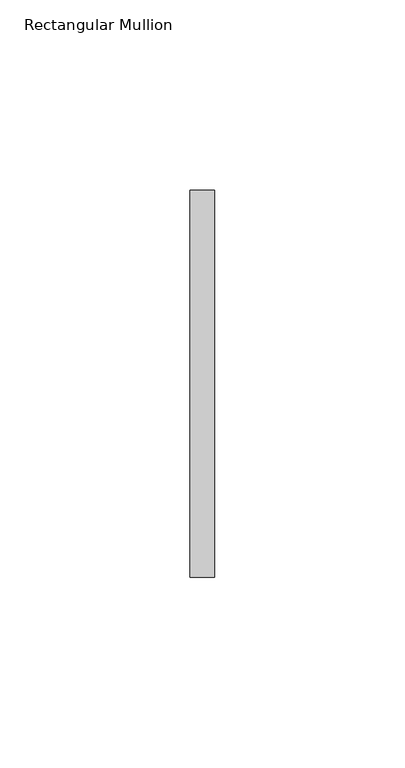
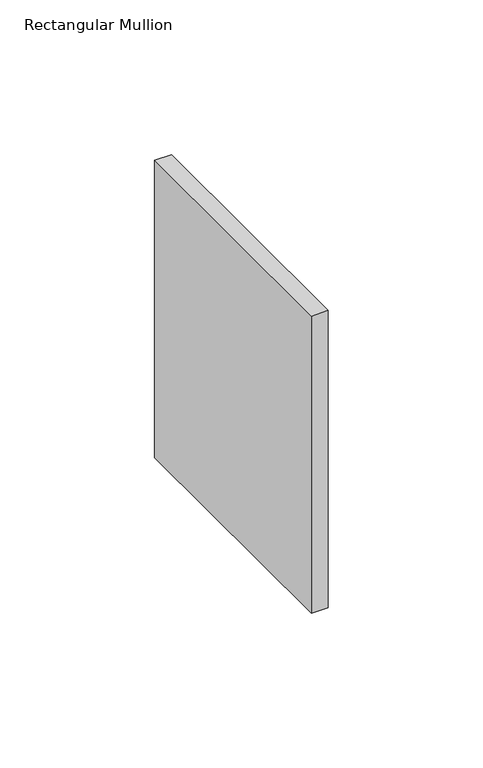
"""IFC4 building model written with IfcOpenShell, lengths in millimetres: member geometry, Rectangular Mullion."""

from ifc_helpers import new_model, si_unit, frame, origin, place, context, project, spatial, polyline, outline, extrude, source, transform, mapped, element, save


def rectangular_mullion_260b316d(model_context):
    return source(origin(), model_context, "Body", "SweptSolid", [
        extrude(outline(polyline([(0.0, 50.8), (0.0, -50.8), (-6.35, -50.8), (-6.35, 50.8), (0.0, 50.8)])), frame((0.0, 0.0, -117.475), z_axis=(0.0, 0.0, 1.0), x_axis=(1.0, 0.0, 0.0)), (0.0, 0.0, 1.0), 117.475),
    ])


if __name__ == "__main__":
    model = new_model("IFC4")
    model_context = context("Model", 3, world=origin())
    ifc_project = project(units=[si_unit("LENGTHUNIT", "METRE", prefix="MILLI")], contexts=[model_context])
    site = spatial("IfcSite", under=ifc_project)
    building = spatial("IfcBuilding", under=site)
    placement = place(None, origin())
    rectangular_mullion_shape = rectangular_mullion_260b316d(model_context)
    element("IfcMember", 1, ObjectType="Rectangular Mullion", at=placement, inside=building, context=model_context, shape_type="MappedRepresentation", body=[
        mapped(rectangular_mullion_shape, transform((0.0, 0.0, 0.0), x_axis=(1.0, 0.0, 0.0), y_axis=(0.0, 1.0, 0.0), z_axis=(0.0, 0.0, 1.0))),
    ])
    save(model, "model.ifc")
